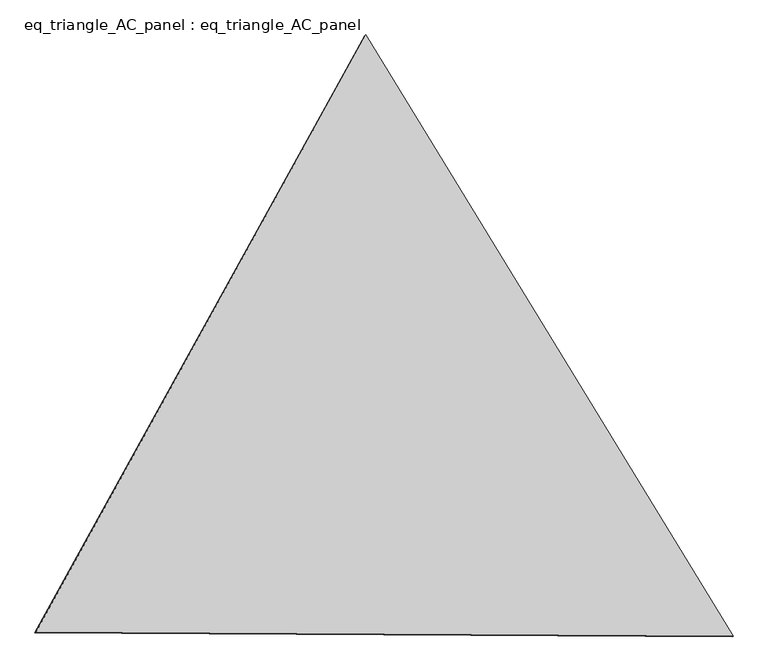
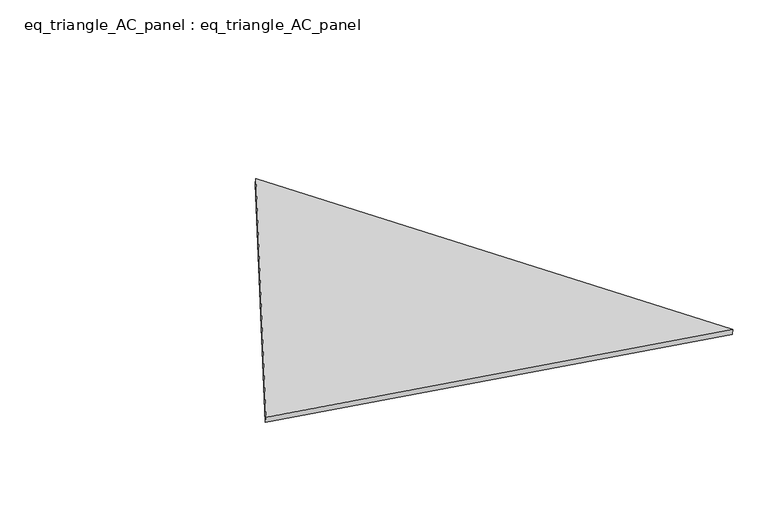
"""IFC4 building model written with IfcOpenShell, lengths in millimetres: proxy geometry, eq_triangle_AC_panel : eq_triangle_AC_panel."""

from ifc_helpers import new_model, si_unit, frame, origin, place, context, project, spatial, polyline, outline, extrude, source, transform, mapped, element, save


def eq_triangle_ac_panel_eq_triangle_ac_panel_baffb2c4(model_context):
    return source(origin(), model_context, "Body", "SweptSolid", [
        extrude(outline(polyline([(-2032.8332139, 1173.1623945), (2091.3042311, 1173.1623944), (-58.4710174, -2346.3247888), (-2032.8332139, 1173.1623945)])), frame((0.0038051, 527.9290861, 89.8240019), z_axis=(0.14526328518058185, 0.08386570281802185, 0.9858321976225894), x_axis=(0.521116751167402, -0.8534751609014859, -0.004181073655761465)), (0.0, 0.0, 1.0), 43.8306294),
    ])


if __name__ == "__main__":
    model = new_model("IFC4")
    model_context = context("Model", 3, world=origin())
    ifc_project = project(units=[si_unit("LENGTHUNIT", "METRE", prefix="MILLI")], contexts=[model_context])
    site = spatial("IfcSite", under=ifc_project)
    building = spatial("IfcBuilding", under=site)
    placement = place(None, origin())
    eq_triangle_ac_panel_eq_triangle_ac_panel_shape = eq_triangle_ac_panel_eq_triangle_ac_panel_baffb2c4(model_context)
    element("IfcBuildingElementProxy", 1, Name="eq_triangle_AC_panel : eq_triangle_AC_panel", ObjectType="eq_triangle_AC_panel : eq_triangle_AC_panel", at=placement, inside=building, context=model_context, shape_type="MappedRepresentation", body=[
        mapped(eq_triangle_ac_panel_eq_triangle_ac_panel_shape, transform((0.0, 0.0, 0.0), x_axis=(1.0, 0.0, 0.0), y_axis=(0.0, 1.0, 0.0), z_axis=(0.0, 0.0, 1.0))),
    ])
    save(model, "model.ifc")
